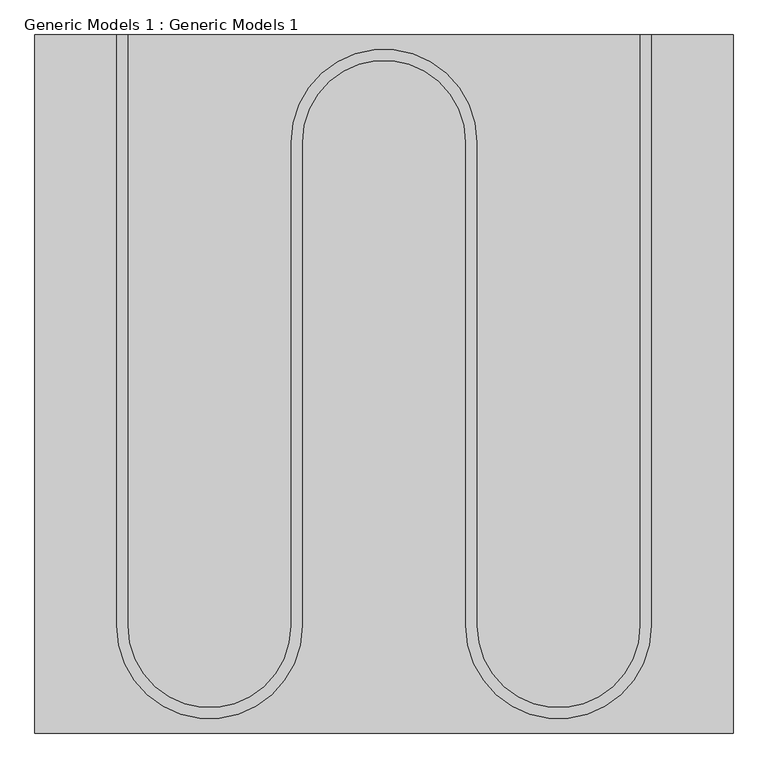
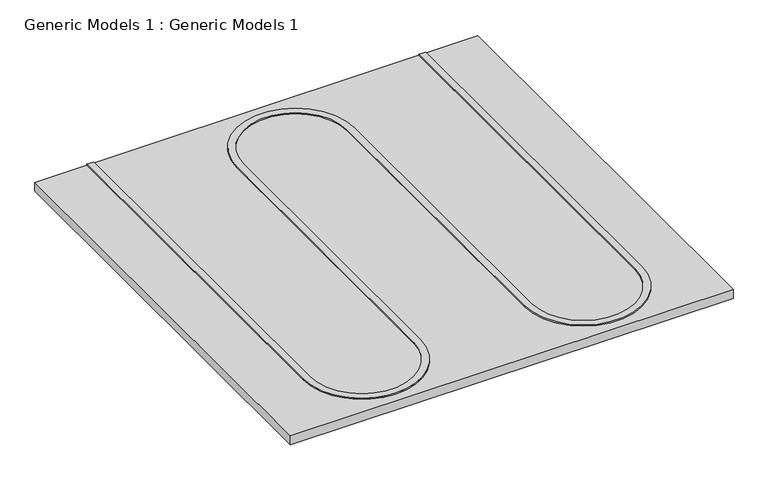
"""IFC4 building model written with IfcOpenShell, lengths in millimetres: proxy geometry, Generic Models 1 : Generic Models 1."""

from ifc_helpers import new_model, si_unit, point, frame, frame_2d, origin, origin_with_axes, place, context, project, spatial, polyline, circle_curve, trimmed, segment, composite_curve, outline, extrude, source, transform, mapped, element, save


def generic_models_1_generic_models_1_32e4fe8f(model_context):
    return source(origin(), model_context, "Body", "SweptSolid", [
        extrude(outline(composite_curve([segment(trimmed(circle_curve(frame_2d((-339.9273861, 2314.6036599)), 142.875), [point((-197.0523861, 2314.6036599))], [point((-482.8023861, 2314.6036599))], True, "CARTESIAN"), True, "CONTINUOUS"), segment(polyline([(-482.8023861, 2314.6036599), (-482.8023861, 1470.0536599)]), True, "CONTINUOUS"), segment(trimmed(circle_curve(frame_2d((-644.7273861, 1470.0536599)), 161.925), [point((-482.8023861, 1470.0536599))], [point((-806.6523861, 1470.0536599))], False, "CARTESIAN"), True, "CONTINUOUS"), segment(polyline([(-806.6523861, 1470.0536599), (-806.6523861, 2501.9286599), (-787.6023861, 2501.9286599), (-787.6023861, 1470.0536599)]), True, "CONTINUOUS"), segment(trimmed(circle_curve(frame_2d((-644.7273861, 1470.0536599)), 142.875), [point((-787.6023861, 1470.0536599))], [point((-501.8523861, 1470.0536599))], True, "CARTESIAN"), True, "CONTINUOUS"), segment(polyline([(-501.8523861, 1470.0536599), (-501.8523861, 2314.6036599)]), True, "CONTINUOUS"), segment(trimmed(circle_curve(frame_2d((-339.9273861, 2314.6036599)), 161.925), [point((-501.8523861, 2314.6036599))], [point((-178.0023861, 2314.6036599))], False, "CARTESIAN"), True, "CONTINUOUS"), segment(polyline([(-178.0023861, 2314.6036599), (-178.0023861, 1470.0536599)]), True, "CONTINUOUS"), segment(trimmed(circle_curve(frame_2d((-35.1273861, 1470.0536599)), 142.875), [point((-178.0023861, 1470.0536599))], [point((107.7476139, 1470.0536599))], True, "CARTESIAN"), True, "CONTINUOUS"), segment(polyline([(107.7476139, 1470.0536599), (107.7476139, 2501.9286599), (126.7976139, 2501.9286599), (126.7976139, 1470.0536599)]), True, "CONTINUOUS"), segment(trimmed(circle_curve(frame_2d((-35.1273861, 1470.0536599)), 161.925), [point((126.7976139, 1470.0536599))], [point((-197.0523861, 1470.0536599))], False, "CARTESIAN"), True, "CONTINUOUS"), segment(polyline([(-197.0523861, 1470.0536599), (-197.0523861, 2314.6036599)]), True, "CONTINUOUS")], self_intersect=False)), frame((0.0, 0.0, 25.4), z_axis=(0.0, 0.0, 1.0), x_axis=(1.0, 0.0, 0.0)), (0.0, 0.0, 1.0), 3.175),
        extrude(outline(polyline([(-949.5273861, 2501.9286599), (269.6726139, 2501.9286599), (269.6726139, 1282.7286599), (-949.5273861, 1282.7286599), (-949.5273861, 2501.9286599)])), origin_with_axes(), (0.0, 0.0, 1.0), 25.4),
    ])


if __name__ == "__main__":
    model = new_model("IFC4")
    model_context = context("Model", 3, world=origin())
    ifc_project = project(units=[si_unit("LENGTHUNIT", "METRE", prefix="MILLI")], contexts=[model_context])
    site = spatial("IfcSite", under=ifc_project)
    building = spatial("IfcBuilding", under=site)
    placement = place(None, origin())
    generic_models_1_generic_models_1_shape = generic_models_1_generic_models_1_32e4fe8f(model_context)
    element("IfcBuildingElementProxy", 1, Name="Generic Models 1 : Generic Models 1", ObjectType="Generic Models 1 : Generic Models 1", at=placement, inside=building, context=model_context, shape_type="MappedRepresentation", body=[
        mapped(generic_models_1_generic_models_1_shape, transform((0.0, 0.0, 0.0), x_axis=(1.0, 0.0, 0.0), y_axis=(0.0, 1.0, 0.0), z_axis=(0.0, 0.0, 1.0))),
    ])
    save(model, "model.ifc")
